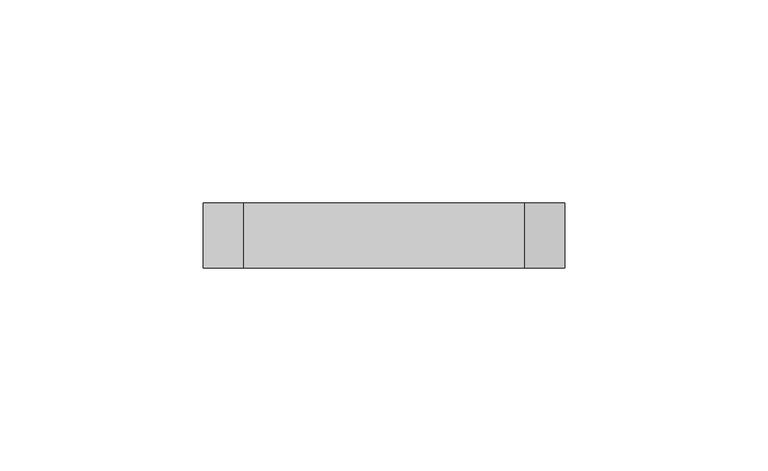
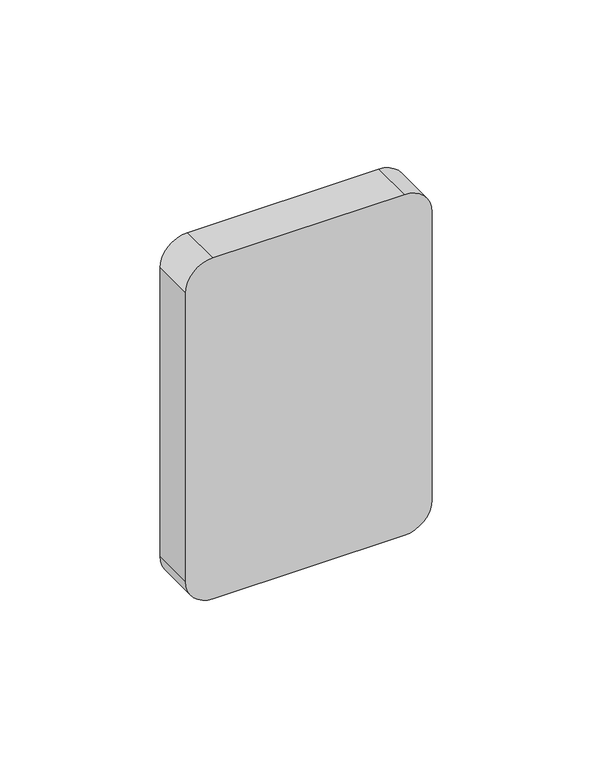
"""IFC4 building model written with IfcOpenShell, lengths in millimetres: proxy geometry."""

from ifc_helpers import new_model, si_unit, point, frame, frame_2d, origin, place, context, project, spatial, polyline, circle_curve, trimmed, segment, composite_curve, outline, extrude, source, transform, mapped, element, save


def electrical_fixtures_72a8e3ce(model_context):
    return source(origin(), model_context, "Body", "SweptSolid", [
        extrude(outline(composite_curve([segment(trimmed(circle_curve(frame_2d((1445.0, 159.5)), 10.0), [point((1435.0, 159.5))], [point((1445.0, 169.5))], False, "CARTESIAN"), True, "CONTINUOUS"), segment(polyline([(1445.0, 169.5), (1555.0, 169.5)]), True, "CONTINUOUS"), segment(trimmed(circle_curve(frame_2d((1555.0, 159.5)), 10.0), [point((1555.0, 169.5))], [point((1565.0, 159.5))], False, "CARTESIAN"), True, "CONTINUOUS"), segment(polyline([(1565.0, 159.5), (1565.0, 90.5)]), True, "CONTINUOUS"), segment(trimmed(circle_curve(frame_2d((1555.0, 90.5)), 10.0), [point((1565.0, 90.5))], [point((1555.0, 80.5))], False, "CARTESIAN"), True, "CONTINUOUS"), segment(polyline([(1555.0, 80.5), (1445.0, 80.5)]), True, "CONTINUOUS"), segment(trimmed(circle_curve(frame_2d((1445.0, 90.5)), 10.0), [point((1445.0, 80.5))], [point((1435.0, 90.5))], False, "CARTESIAN"), True, "CONTINUOUS"), segment(polyline([(1435.0, 90.5), (1435.0, 159.5)]), True, "CONTINUOUS")], self_intersect=False)), frame((0.0, -75.0, 0.0), z_axis=(0.0, 1.0, 0.0), x_axis=(0.0, 0.0, 1.0)), (0.0, 0.0, 1.0), 16.0),
    ])


if __name__ == "__main__":
    model = new_model("IFC4")
    model_context = context("Model", 3, world=origin())
    ifc_project = project(units=[si_unit("LENGTHUNIT", "METRE", prefix="MILLI")], contexts=[model_context])
    site = spatial("IfcSite", under=ifc_project)
    building = spatial("IfcBuilding", under=site)
    placement = place(None, origin())
    electrical_fixtures_shape = electrical_fixtures_72a8e3ce(model_context)
    element("IfcBuildingElementProxy", 1, Name="Electrical Fixtures", at=placement, inside=building, context=model_context, shape_type="MappedRepresentation", body=[
        mapped(electrical_fixtures_shape, transform((0.0, 0.0, 0.0), x_axis=(1.0, 0.0, 0.0), y_axis=(0.0, 1.0, 0.0), z_axis=(0.0, 0.0, 1.0))),
    ])
    save(model, "model.ifc")
